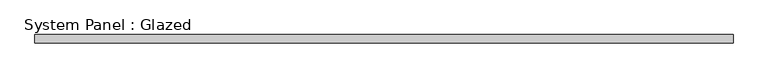
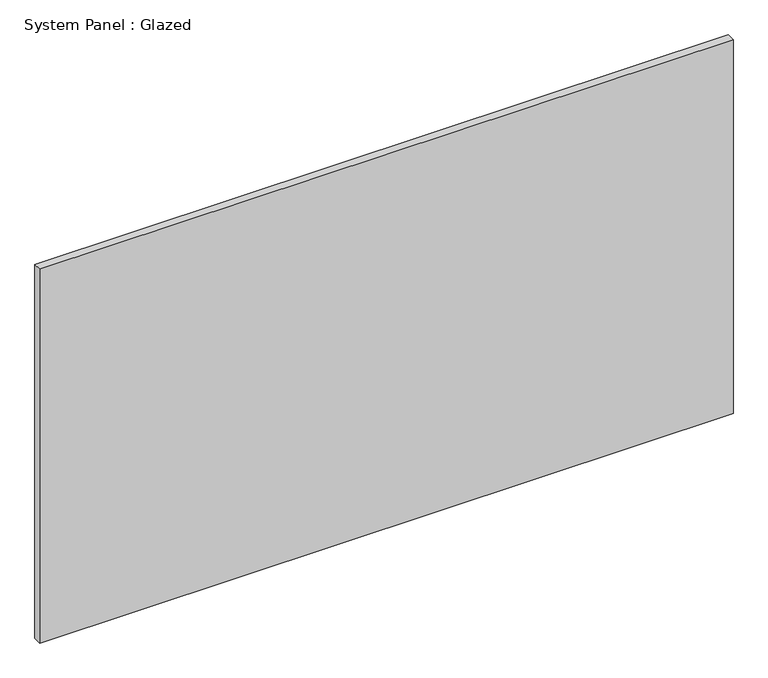
"""IFC4 building model written with IfcOpenShell, lengths in millimetres: plate geometry, System Panel : Glazed."""

from ifc_helpers import new_model, si_unit, origin, origin_with_axes, place, context, project, spatial, polyline, outline, extrude, source, transform, mapped, element, save


def system_panel_glazed_606b88b2(model_context):
    return source(origin(), model_context, "Body", "SweptSolid", [
        extrude(outline(polyline([(1068.3875, 19.05), (-1068.3875, 19.05), (-1068.3875, 44.45), (1068.3875, 44.45), (1068.3875, 19.05)])), origin_with_axes(), (0.0, 0.0, 1.0), 1219.2),
    ])


if __name__ == "__main__":
    model = new_model("IFC4")
    model_context = context("Model", 3, world=origin())
    ifc_project = project(units=[si_unit("LENGTHUNIT", "METRE", prefix="MILLI")], contexts=[model_context])
    site = spatial("IfcSite", under=ifc_project)
    building = spatial("IfcBuilding", under=site)
    placement = place(None, origin())
    system_panel_glazed_shape = system_panel_glazed_606b88b2(model_context)
    element("IfcPlate", 1, ObjectType="System Panel : Glazed", at=placement, inside=building, context=model_context, shape_type="MappedRepresentation", body=[
        mapped(system_panel_glazed_shape, transform((0.0, 0.0, 0.0), x_axis=(1.0, 0.0, 0.0), y_axis=(0.0, 1.0, 0.0), z_axis=(0.0, 0.0, 1.0))),
    ])
    save(model, "model.ifc")
